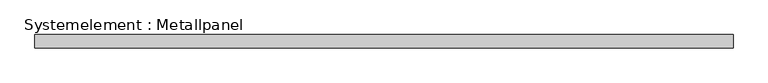
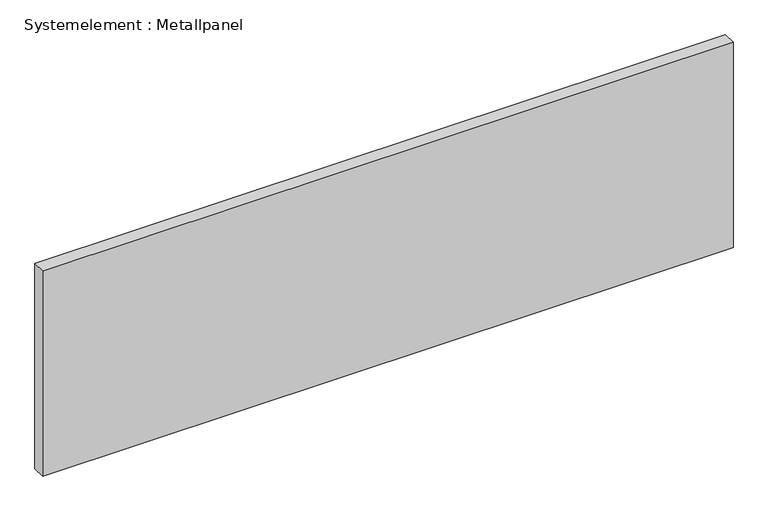
"""IFC4 building model written with IfcOpenShell, lengths in millimetres: plate geometry, Systemelement : Metallpanel."""

from ifc_helpers import new_model, si_unit, origin, origin_with_axes, place, context, project, spatial, polyline, outline, extrude, source, transform, mapped, element, save


def systemelement_metallpanel_f1f5422c(model_context):
    return source(origin(), model_context, "Body", "SweptSolid", [
        extrude(outline(polyline([(787.0236297, -15.0), (-787.0236297, -15.0), (-787.0236297, 15.0), (787.0236297, 15.0), (787.0236297, -15.0)])), origin_with_axes(), (0.0, 0.0, 1.0), 495.0),
    ])


if __name__ == "__main__":
    model = new_model("IFC4")
    model_context = context("Model", 3, world=origin())
    ifc_project = project(units=[si_unit("LENGTHUNIT", "METRE", prefix="MILLI")], contexts=[model_context])
    site = spatial("IfcSite", under=ifc_project)
    building = spatial("IfcBuilding", under=site)
    placement = place(None, origin())
    systemelement_metallpanel_shape = systemelement_metallpanel_f1f5422c(model_context)
    element("IfcPlate", 1, ObjectType="Systemelement : Metallpanel", at=placement, inside=building, context=model_context, shape_type="MappedRepresentation", body=[
        mapped(systemelement_metallpanel_shape, transform((0.0, 0.0, 0.0), x_axis=(1.0, 0.0, 0.0), y_axis=(0.0, 1.0, 0.0), z_axis=(0.0, 0.0, 1.0))),
    ])
    save(model, "model.ifc")
